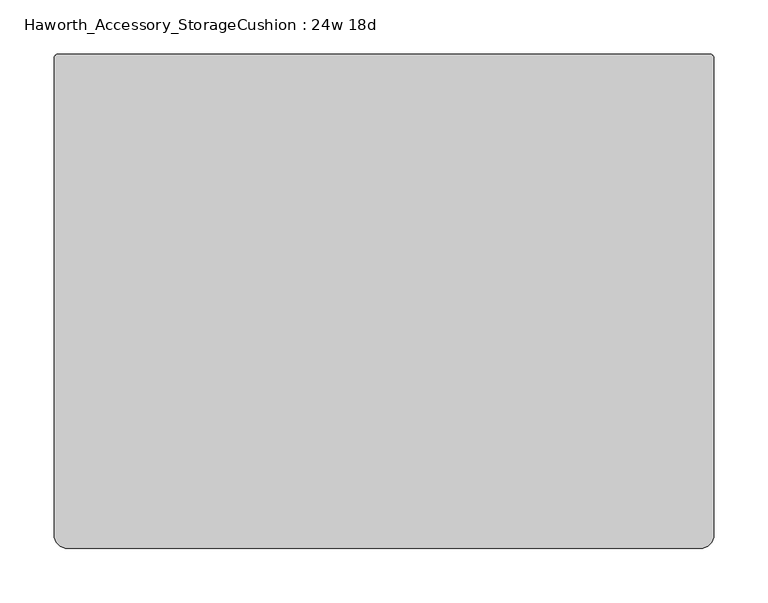
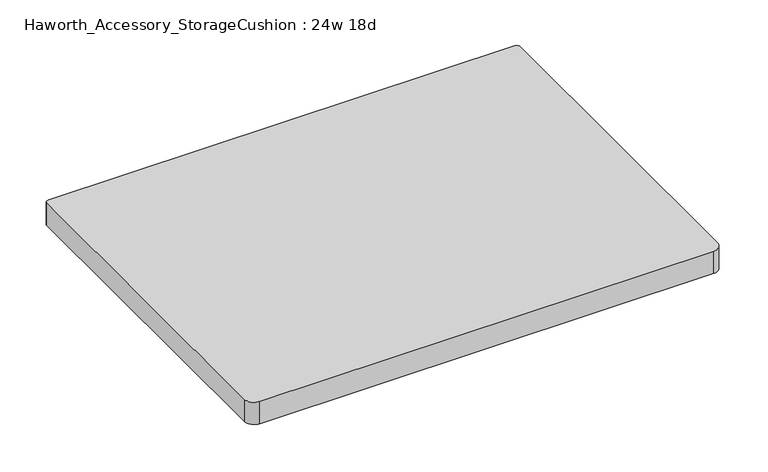
"""IFC4 building model written with IfcOpenShell, lengths in millimetres: furniture geometry, Haworth_Accessory_StorageCushion : 24w 18d."""

from ifc_helpers import new_model, si_unit, point, frame, frame_2d, origin, place, context, project, spatial, polyline, circle_curve, trimmed, segment, composite_curve, outline, extrude, source, transform, mapped, element, save


def haworth_accessory_storagecushion_24w_18d_9686e7e6(model_context):
    return source(origin(), model_context, "Body", "SweptSolid", [
        extrude(outline(composite_curve([segment(polyline([(292.1, -228.6), (-292.1, -228.6)]), True, "CONTINUOUS"), segment(trimmed(circle_curve(frame_2d((-292.1, -215.9)), 12.7), [point((-292.1, -228.6))], [point((-304.8, -215.9))], False, "CARTESIAN"), True, "CONTINUOUS"), segment(polyline([(-304.8, -215.9), (-304.8, 224.360019)]), True, "CONTINUOUS"), segment(trimmed(circle_curve(frame_2d((-300.560019, 224.360019)), 4.239981), [point((-304.8, 224.360019))], [point((-300.560019, 228.6))], False, "CARTESIAN"), True, "CONTINUOUS"), segment(polyline([(-300.560019, 228.6), (300.560019, 228.6)]), True, "CONTINUOUS"), segment(trimmed(circle_curve(frame_2d((300.560019, 224.360019)), 4.239981), [point((300.560019, 228.6))], [point((304.8, 224.360019))], False, "CARTESIAN"), True, "CONTINUOUS"), segment(polyline([(304.8, 224.360019), (304.8, -215.9)]), True, "CONTINUOUS"), segment(trimmed(circle_curve(frame_2d((292.1, -215.9)), 12.7), [point((304.8, -215.9))], [point((292.1, -228.6))], False, "CARTESIAN"), True, "CONTINUOUS")], self_intersect=False)), frame((0.0, 0.0, 584.2), z_axis=(0.0, 0.0, 1.0), x_axis=(1.0, 0.0, 0.0)), (0.0, 0.0, 1.0), 30.1625),
    ])


if __name__ == "__main__":
    model = new_model("IFC4")
    model_context = context("Model", 3, world=origin())
    ifc_project = project(units=[si_unit("LENGTHUNIT", "METRE", prefix="MILLI")], contexts=[model_context])
    site = spatial("IfcSite", under=ifc_project)
    building = spatial("IfcBuilding", under=site)
    placement = place(None, origin())
    haworth_accessory_storagecushion_24w_18d_shape = haworth_accessory_storagecushion_24w_18d_9686e7e6(model_context)
    element("IfcFurniture", 1, ObjectType="Haworth_Accessory_StorageCushion : 24w 18d", at=placement, inside=building, context=model_context, shape_type="MappedRepresentation", body=[
        mapped(haworth_accessory_storagecushion_24w_18d_shape, transform((0.0, 0.0, 0.0), x_axis=(1.0, 0.0, 0.0), y_axis=(0.0, 1.0, 0.0), z_axis=(0.0, 0.0, 1.0))),
    ])
    save(model, "model.ifc")
